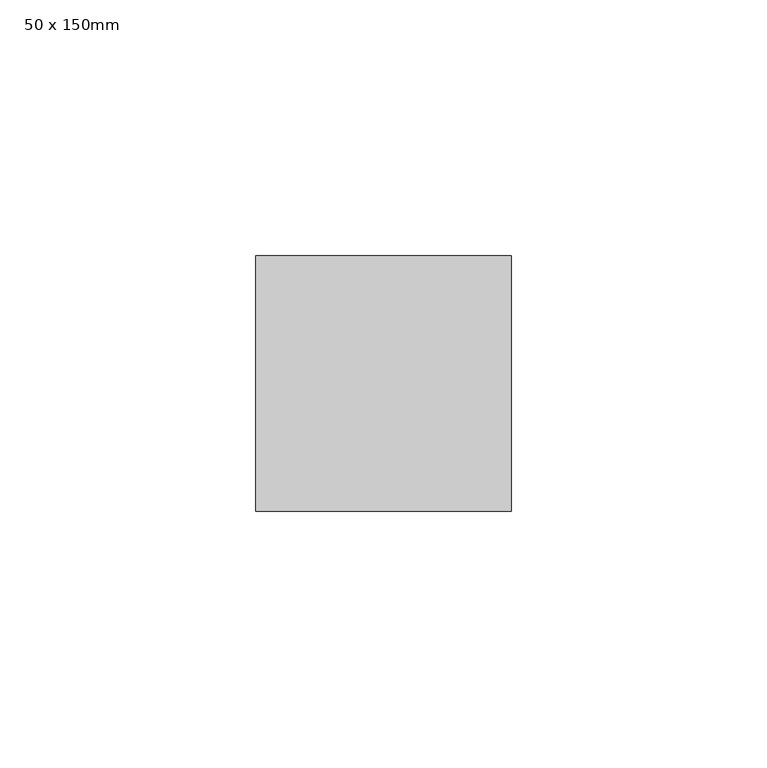
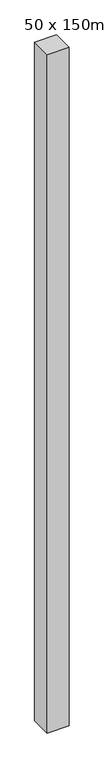
"""IFC4 building model written with IfcOpenShell, lengths in millimetres: member geometry, 50 x 150mm."""

from ifc_helpers import new_model, si_unit, frame, origin, place, context, project, spatial, polyline, outline, extrude, source, transform, mapped, element, save


def member_50_x_150mm_4652bdba(model_context):
    return source(origin(), model_context, "Body", "SweptSolid", [
        extrude(outline(polyline([(25.0, 25.0), (25.0, -25.0), (-25.0, -25.0), (-25.0, 25.0), (25.0, 25.0)])), frame((0.0, 0.0, -1652.9780682), z_axis=(0.0, 0.0, 1.0), x_axis=(1.0, 0.0, 0.0)), (0.0, 0.0, 1.0), 1652.9780682),
    ])


if __name__ == "__main__":
    model = new_model("IFC4")
    model_context = context("Model", 3, world=origin())
    ifc_project = project(units=[si_unit("LENGTHUNIT", "METRE", prefix="MILLI")], contexts=[model_context])
    site = spatial("IfcSite", under=ifc_project)
    building = spatial("IfcBuilding", under=site)
    placement = place(None, origin())
    member_50_x_150mm_shape = member_50_x_150mm_4652bdba(model_context)
    element("IfcMember", 1, ObjectType="50 x 150mm", at=placement, inside=building, context=model_context, shape_type="MappedRepresentation", body=[
        mapped(member_50_x_150mm_shape, transform((0.0, 0.0, 0.0), x_axis=(1.0, 0.0, 0.0), y_axis=(0.0, 1.0, 0.0), z_axis=(0.0, 0.0, 1.0))),
    ])
    save(model, "model.ifc")
